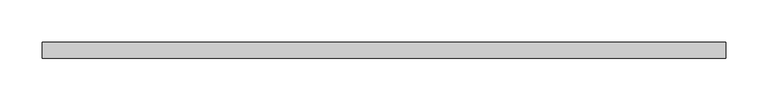
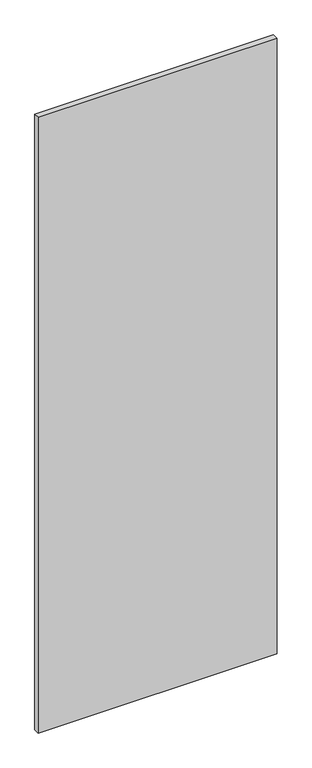
"""IFC4 building model written with IfcOpenShell, lengths in millimetres: proxy geometry."""

from ifc_helpers import new_model, si_unit, frame, origin, place, context, project, spatial, polyline, outline, extrude, source, transform, mapped, element, save


def specialty_equipment_dcc33be5(model_context):
    return source(origin(), model_context, "Body", "SweptSolid", [
        extrude(outline(polyline([(404.5204, 9.525), (404.5204, -9.525), (-404.5204, -9.525), (-404.5204, 9.525), (404.5204, 9.525)])), frame((0.0, 0.0, 3.175), z_axis=(0.0, 0.0, 1.0), x_axis=(1.0, 0.0, 0.0)), (0.0, 0.0, 1.0), 2203.45),
    ])


if __name__ == "__main__":
    model = new_model("IFC4")
    model_context = context("Model", 3, world=origin())
    ifc_project = project(units=[si_unit("LENGTHUNIT", "METRE", prefix="MILLI")], contexts=[model_context])
    site = spatial("IfcSite", under=ifc_project)
    building = spatial("IfcBuilding", under=site)
    placement = place(None, origin())
    specialty_equipment_shape = specialty_equipment_dcc33be5(model_context)
    element("IfcBuildingElementProxy", 1, Name="Specialty Equipment", at=placement, inside=building, context=model_context, shape_type="MappedRepresentation", body=[
        mapped(specialty_equipment_shape, transform((0.0, 0.0, 0.0), x_axis=(1.0, 0.0, 0.0), y_axis=(0.0, 1.0, 0.0), z_axis=(0.0, 0.0, 1.0))),
    ])
    save(model, "model.ifc")
